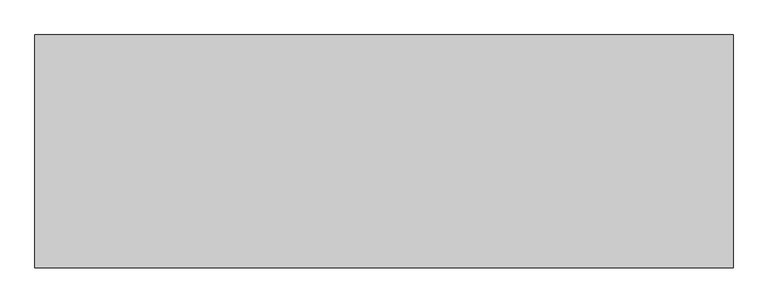
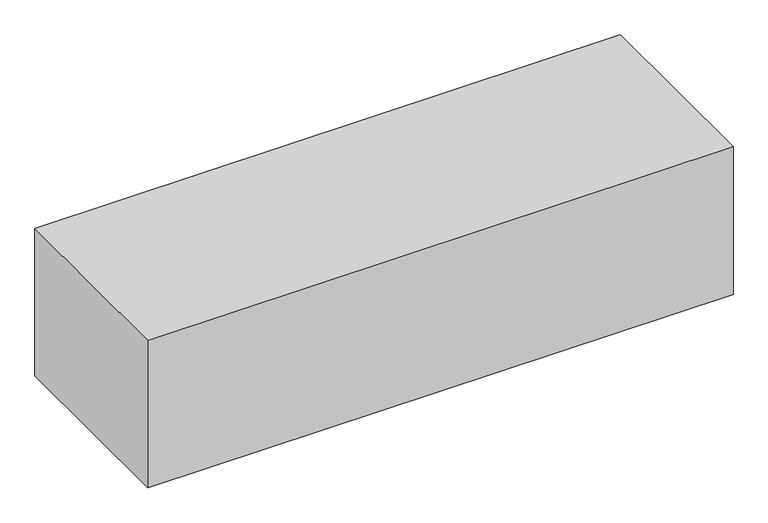
"""IFC4 building model written with IfcOpenShell, lengths in millimetres: geographic element geometry."""

import ifcopenshell
import ifcopenshell.guid

model = None  # the IFC model being written
_history = None  # IfcOwnerHistory: only IFC2X3 demands one
_inside = {}  # id of a spatial element -> (the spatial element, [elements in it])
_under = {}  # id of a project, library or spatial element -> (it, [spatial elements below it])
_declared = {}  # id of a project -> (the project, [libraries it declares])
_typed = {}  # id of a type object -> (the type object, [elements of that type])
_made_of = {}  # id of a material, layer set ... -> (it, [elements and type objects made of it])


def new_model(schema):
    """Start an empty IFC model of exactly this schema.

    Asked for "IFC4X3", IfcOpenShell would pick the latest addendum, in which some entities
    have other attributes; the version numbers below select the first issue.
    IFC2X3 requires an IfcOwnerHistory on every rooted entity: one is made here for all.
    """
    global model, _history
    if schema == "IFC4X3":
        model = ifcopenshell.file(schema_version=(4, 3, 0, 0))
    else:
        model = ifcopenshell.file(schema=schema)
    _inside.clear()
    _under.clear()
    _declared.clear()
    _typed.clear()
    _made_of.clear()
    _history = None
    if model.schema == "IFC2X3":
        org = make("IfcOrganization", Name="unknown")
        user = make(
            "IfcPersonAndOrganization",
            ThePerson=make("IfcPerson", FamilyName="unknown"),
            TheOrganization=org,
        )
        app = make(
            "IfcApplication",
            ApplicationDeveloper=org,
            Version="unknown",
            ApplicationFullName="unknown",
            ApplicationIdentifier="unknown",
        )
        _history = make(
            "IfcOwnerHistory",
            OwningUser=user,
            OwningApplication=app,
            ChangeAction="ADDED",
            CreationDate=0,
        )
    return model


def make(cls, **values):
    """One entity of the class cls with the attributes given. An attribute that is None is left unset."""
    return model.create_entity(
        cls, **{name: value for name, value in values.items() if value is not None}
    )


def rooted(cls, **values):
    """An entity with a GlobalId (a new one), such as an element, a storey or a relation."""
    return make(cls, GlobalId=ifcopenshell.guid.new(), OwnerHistory=_history, **values)


def si_unit(unit_type, name, prefix=None):
    """IfcSIUnit, for example si_unit("LENGTHUNIT", "METRE", prefix="MILLI")."""
    return make("IfcSIUnit", UnitType=unit_type, Prefix=prefix, Name=name)


def assignment(units):
    """IfcUnitAssignment: the units of a project."""
    return None if units is None else make("IfcUnitAssignment", Units=units)


def point(xyz):
    """IfcCartesianPoint."""
    return None if xyz is None else make("IfcCartesianPoint", Coordinates=xyz)


def direction(xyz):
    """IfcDirection."""
    return None if xyz is None else make("IfcDirection", DirectionRatios=xyz)


def frame(location, z_axis=None, x_axis=None):
    """IfcAxis2Placement3D, a coordinate frame: its origin and axes. An axis left out is left unset."""
    return make(
        "IfcAxis2Placement3D",
        Location=point(location),
        Axis=direction(z_axis),
        RefDirection=direction(x_axis),
    )


def origin():
    """The frame at (0, 0, 0) with its axes left unset."""
    return frame((0.0, 0.0, 0.0))


def origin_with_axes():
    """The frame at (0, 0, 0) with the z axis (0, 0, 1) and the x axis (1, 0, 0) written out."""
    return frame((0.0, 0.0, 0.0), z_axis=(0.0, 0.0, 1.0), x_axis=(1.0, 0.0, 0.0))


def place(relative_to, where):
    """IfcLocalPlacement: puts the frame where relative to a parent placement (None: the world)."""
    return make(
        "IfcLocalPlacement", PlacementRelTo=relative_to, RelativePlacement=where
    )


def context(
    kind, dimensions, precision=None, world=None, true_north=None, identifier=None
):
    """IfcGeometricRepresentationContext, for example the 3D "Model" context."""
    return make(
        "IfcGeometricRepresentationContext",
        ContextIdentifier=identifier,
        ContextType=kind,
        CoordinateSpaceDimension=dimensions,
        Precision=precision,
        WorldCoordinateSystem=world,
        TrueNorth=true_north,
    )


def project(units=None, contexts=None):
    """IfcProject with its units and contexts."""
    return rooted(
        "IfcProject",
        Name="project",
        RepresentationContexts=contexts,
        UnitsInContext=assignment(units),
    )


def spatial(cls, under=None, at=None, **own):
    """A site, building, storey or space (cls), placed at a placement, below another one or the project."""
    s = rooted(cls, ObjectPlacement=at, **own)
    if under is not None:
        _under.setdefault(under.id(), (under, []))[1].append(s)
    return s


def polyline(points):
    """IfcPolyline through the points."""
    return make("IfcPolyline", Points=[point(p) for p in points])


def outline(outer, holes=None, kind="AREA"):
    """IfcArbitraryClosedProfileDef: a profile drawn as a closed curve; with holes, ...WithVoids."""
    if holes is None:
        return make("IfcArbitraryClosedProfileDef", ProfileType=kind, OuterCurve=outer)
    return make(
        "IfcArbitraryProfileDefWithVoids",
        ProfileType=kind,
        OuterCurve=outer,
        InnerCurves=holes,
    )


def extrude(swept, where, along, depth):
    """IfcExtrudedAreaSolid: the profile swept, set in the frame where, extruded along a direction by depth."""
    return make(
        "IfcExtrudedAreaSolid",
        SweptArea=swept,
        Position=where,
        ExtrudedDirection=direction(along),
        Depth=depth,
    )


def shape(context_of_items, identifier, shape_type, items):
    """IfcShapeRepresentation: the items that make up one representation, for example the "Body"."""
    return make(
        "IfcShapeRepresentation",
        ContextOfItems=context_of_items,
        RepresentationIdentifier=identifier,
        RepresentationType=shape_type,
        Items=items,
    )


def source(mapping_origin, context_of_items, identifier, shape_type, items):
    """IfcRepresentationMap: a shape defined once, which mapped items show again and again."""
    return make(
        "IfcRepresentationMap",
        MappingOrigin=mapping_origin,
        MappedRepresentation=shape(context_of_items, identifier, shape_type, items),
    )


def transform(
    local_origin,
    x_axis=None,
    y_axis=None,
    z_axis=None,
    scale=None,
    scale2=None,
    scale3=None,
    uniform=True,
):
    """IfcCartesianTransformationOperator3D, or its non-uniform kind. x_axis, y_axis, z_axis: its Axis1, 2, 3."""
    if uniform:
        return make(
            "IfcCartesianTransformationOperator3D",
            Axis1=direction(x_axis),
            Axis2=direction(y_axis),
            LocalOrigin=point(local_origin),
            Scale=scale,
            Axis3=direction(z_axis),
        )
    return make(
        "IfcCartesianTransformationOperator3DnonUniform",
        Axis1=direction(x_axis),
        Axis2=direction(y_axis),
        LocalOrigin=point(local_origin),
        Scale=scale,
        Axis3=direction(z_axis),
        Scale2=scale2,
        Scale3=scale3,
    )


def mapped(mapping_source, mapping_target):
    """IfcMappedItem: shows the shape of a source again, moved by a transform."""
    return make(
        "IfcMappedItem", MappingSource=mapping_source, MappingTarget=mapping_target
    )


def made_of(thing, what):
    """Note that an element or type object is made of a material, layer set ...; save() writes the relation."""
    if what is not None:
        _made_of.setdefault(what.id(), (what, []))[1].append(thing)
    return thing


def element(
    cls,
    number,
    at=None,
    inside=None,
    cuts=None,
    type_object=None,
    material=None,
    context=None,
    identifier="Body",
    shape_type=None,
    held_by="IfcProductDefinitionShape",
    body=None,
    shapes=None,
    **own,
):
    """One element of the class cls, such as IfcWall. Its Tag is "e" and its number.

    at: its placement. inside: the storey or other place that contains it. cuts: it is an
    opening in that element (IfcRelVoidsElement). A single representation is given by context,
    identifier, shape_type and body (its items); several are given by shapes. held_by: the class
    of the entity that holds the representations. save() writes the other relations.
    """
    e = rooted(cls, Tag="e%d" % number, ObjectPlacement=at, **own)
    if body is not None:
        shapes = [shape(context, identifier, shape_type, body)]
    if shapes is not None:
        e.Representation = make(held_by, Representations=shapes)
    if inside is not None:
        _inside.setdefault(inside.id(), (inside, []))[1].append(e)
    if cuts is not None:
        rooted(
            "IfcRelVoidsElement", RelatingBuildingElement=cuts, RelatedOpeningElement=e
        )
    if type_object is not None:
        _typed.setdefault(type_object.id(), (type_object, []))[1].append(e)
    return made_of(e, material)


def aggregate(whole, parts):
    """IfcRelAggregates: a whole, such as a stair, and the parts it consists of."""
    return rooted("IfcRelAggregates", RelatingObject=whole, RelatedObjects=parts)


def save(model, path):
    """Write the relations noted so far, then the file.

    IfcRelAggregates (storeys below a building ...), IfcRelContainedInSpatialStructure (elements
    in a storey), IfcRelDefinesByType, IfcRelAssociatesMaterial and IfcRelDeclares: one each for
    every whole, place, type object, material and project.
    """
    for whole, parts in _under.values():
        aggregate(whole, parts)
    for where, things in _inside.values():
        rooted(
            "IfcRelContainedInSpatialStructure",
            RelatedElements=things,
            RelatingStructure=where,
        )
    for kind, things in _typed.values():
        rooted("IfcRelDefinesByType", RelatedObjects=things, RelatingType=kind)
    for what, things in _made_of.values():
        rooted("IfcRelAssociatesMaterial", RelatedObjects=things, RelatingMaterial=what)
    for by, libraries in _declared.values():
        rooted("IfcRelDeclares", RelatingContext=by, RelatedDefinitions=libraries)
    model.write(path)


def geographic_element_4fc74e1d(model_context):
    return source(origin(), model_context, "Body", "SweptSolid", [
        extrude(outline(polyline([(0.0, 0.0), (0.0, 500.0), (1500.0, 500.0), (1500.0, 0.0), (0.0, 0.0)])), origin_with_axes(), (0.0, 0.0, 1.0), 400.0),
    ])


if __name__ == "__main__":
    model = new_model("IFC4")
    model_context = context("Model", 3, world=origin())
    ifc_project = project(units=[si_unit("LENGTHUNIT", "METRE", prefix="MILLI")], contexts=[model_context])
    site = spatial("IfcSite", under=ifc_project)
    building = spatial("IfcBuilding", under=site)
    placement = place(None, origin())
    geographic_element_shape = geographic_element_4fc74e1d(model_context)
    element("IfcGeographicElement", 1, at=placement, inside=building, context=model_context, shape_type="MappedRepresentation", body=[
        mapped(geographic_element_shape, transform((0.0, 0.0, 0.0), x_axis=(1.0, 0.0, 0.0), y_axis=(0.0, 1.0, 0.0), z_axis=(0.0, 0.0, 1.0))),
    ])
    save(model, "model.ifc")
